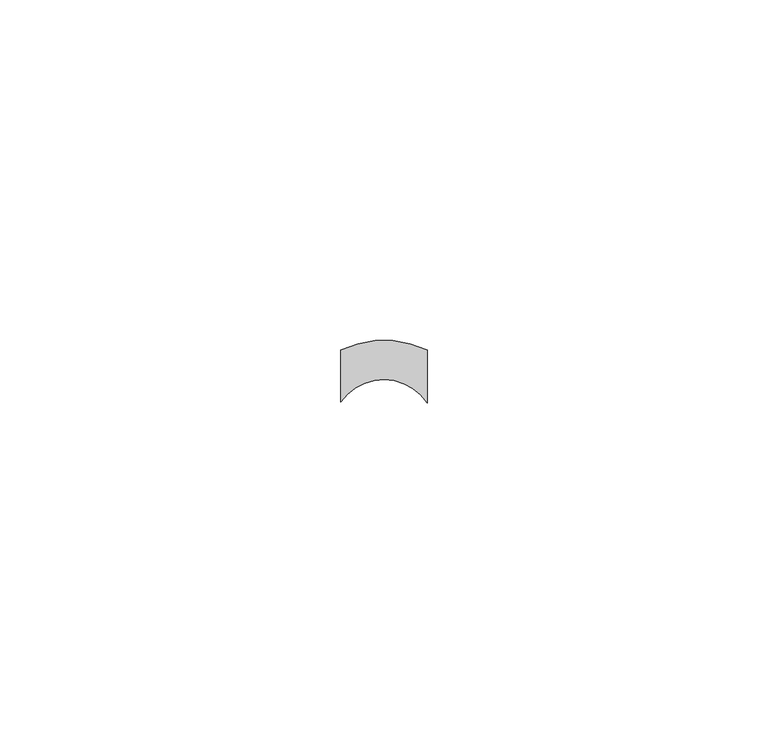
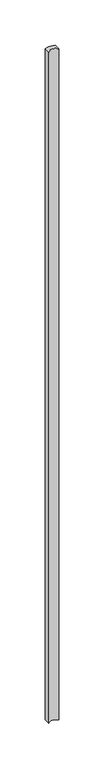
"""IFC4 building model written with IfcOpenShell, lengths in millimetres: proxy geometry."""

from ifc_helpers import new_model, si_unit, point, frame, frame_2d, origin, place, context, project, spatial, polyline, circle_curve, trimmed, segment, composite_curve, outline, extrude, source, transform, mapped, element, save


def generic_models_3c8bac2f(model_context):
    return source(origin(), model_context, "Body", "SweptSolid", [
        extrude(outline(composite_curve([segment(trimmed(circle_curve(frame_2d((37103.5986086, -24092.6434784)), 7.6314594), [point((37109.9662444, -24088.4372464))], [point((37097.3134001, -24088.3150459))], True, "CARTESIAN"), True, "CONTINUOUS"), segment(polyline([(37097.3134001, -24088.3150459), (37097.3134001, -24080.6758608)]), True, "CONTINUOUS"), segment(trimmed(circle_curve(frame_2d((37103.6422084, -24093.7939204)), 14.5649341), [point((37097.3134001, -24080.6758608))], [point((37109.9662444, -24080.6735594))], False, "CARTESIAN"), True, "CONTINUOUS"), segment(polyline([(37109.9662444, -24080.6735594), (37109.9662444, -24088.4372464)]), True, "CONTINUOUS")], self_intersect=False)), frame((0.0, 0.0, 1524.0), z_axis=(0.0, 0.0, 1.0), x_axis=(1.0, 0.0, 0.0)), (0.0, 0.0, 1.0), 914.4),
    ])


if __name__ == "__main__":
    model = new_model("IFC4")
    model_context = context("Model", 3, world=origin())
    ifc_project = project(units=[si_unit("LENGTHUNIT", "METRE", prefix="MILLI")], contexts=[model_context])
    site = spatial("IfcSite", under=ifc_project)
    building = spatial("IfcBuilding", under=site)
    placement = place(None, origin())
    generic_models_shape = generic_models_3c8bac2f(model_context)
    element("IfcBuildingElementProxy", 1, Name="Generic Models", at=placement, inside=building, context=model_context, shape_type="MappedRepresentation", body=[
        mapped(generic_models_shape, transform((0.0, 0.0, 0.0), x_axis=(1.0, 0.0, 0.0), y_axis=(0.0, 1.0, 0.0), z_axis=(0.0, 0.0, 1.0))),
    ])
    save(model, "model.ifc")
